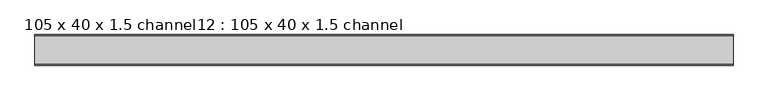
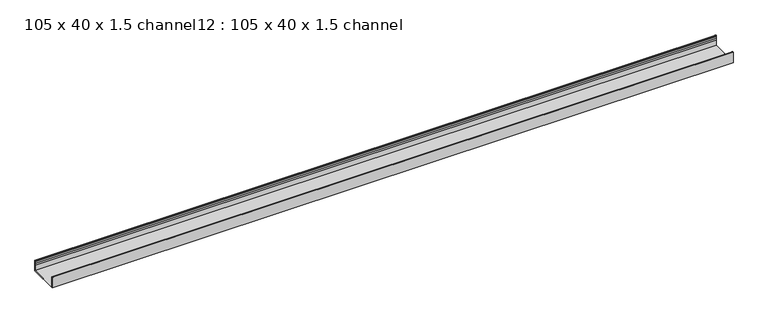
"""IFC4 building model written with IfcOpenShell, lengths in millimetres: proxy geometry, 105 x 40 x 1.5 channel12 : 105 x 40 x 1.5 channel."""

from ifc_helpers import new_model, si_unit, point, frame, frame_2d, origin, place, context, project, spatial, polyline, circle_curve, trimmed, segment, composite_curve, outline, extrude, source, transform, mapped, element, save


def proxy_105_x_40_x_1_5_channel12_105_x_40_x_1_5_channel_e24fb7c1(model_context):
    return source(origin(), model_context, "Body", "SweptSolid", [
        extrude(outline(composite_curve([segment(trimmed(circle_curve(frame_2d((834.0503008, 32.0)), 10.0), [point((843.6256088, 29.1166898))], [point((843.6256088, 34.8833102))], True, "CARTESIAN"), True, "CONTINUOUS"), segment(polyline([(843.6256088, 34.8833102), (843.0503008, 38.8)]), True, "CONTINUOUS"), segment(trimmed(circle_curve(frame_2d((844.2503008, 38.8)), 1.2), [point((843.0503008, 38.8))], [point((845.4503008, 38.8))], False, "CARTESIAN"), True, "CONTINUOUS"), segment(polyline([(845.4503008, 38.8), (845.4503008, 0.0), (740.1503008, 0.0), (740.1503008, 38.8)]), True, "CONTINUOUS"), segment(trimmed(circle_curve(frame_2d((741.3503008, 38.8)), 1.2), [point((740.1503008, 38.8))], [point((742.5503008, 38.8))], False, "CARTESIAN"), True, "CONTINUOUS"), segment(polyline([(742.5503008, 38.8), (741.9749929, 34.8833102)]), True, "CONTINUOUS"), segment(trimmed(circle_curve(frame_2d((751.5503008, 32.0)), 10.0), [point((741.9749929, 34.8833102))], [point((741.9749929, 29.1166898))], True, "CARTESIAN"), True, "CONTINUOUS"), segment(trimmed(circle_curve(frame_2d((732.5503008, 25.77376)), 10.0), [point((741.9749929, 29.1166898))], [point((741.5503008, 21.4148611))], False, "CARTESIAN"), True, "CONTINUOUS"), segment(polyline([(741.5503008, 21.4148611), (741.5503008, 1.4), (844.0503008, 1.4), (844.0503008, 21.4148611)]), True, "CONTINUOUS"), segment(trimmed(circle_curve(frame_2d((853.0503008, 25.77376)), 10.0), [point((844.0503008, 21.4148611))], [point((843.6256088, 29.1166898))], False, "CARTESIAN"), True, "CONTINUOUS")], self_intersect=False)), frame((9564.6309284, 0.0, 0.0), z_axis=(1.0, 0.0, 0.0), x_axis=(0.0, 1.0, 0.0)), (0.0, 0.0, 1.0), 2400.0),
    ])


if __name__ == "__main__":
    model = new_model("IFC4")
    model_context = context("Model", 3, world=origin())
    ifc_project = project(units=[si_unit("LENGTHUNIT", "METRE", prefix="MILLI")], contexts=[model_context])
    site = spatial("IfcSite", under=ifc_project)
    building = spatial("IfcBuilding", under=site)
    placement = place(None, origin())
    proxy_105_x_40_x_1_5_channel12_105_x_40_x_1_5_channel_shape = proxy_105_x_40_x_1_5_channel12_105_x_40_x_1_5_channel_e24fb7c1(model_context)
    element("IfcBuildingElementProxy", 1, Name="105 x 40 x 1.5 channel12 : 105 x 40 x 1.5 channel", ObjectType="105 x 40 x 1.5 channel12 : 105 x 40 x 1.5 channel", at=placement, inside=building, context=model_context, shape_type="MappedRepresentation", body=[
        mapped(proxy_105_x_40_x_1_5_channel12_105_x_40_x_1_5_channel_shape, transform((0.0, 0.0, 0.0), x_axis=(1.0, 0.0, 0.0), y_axis=(0.0, 1.0, 0.0), z_axis=(0.0, 0.0, 1.0))),
    ])
    save(model, "model.ifc")
